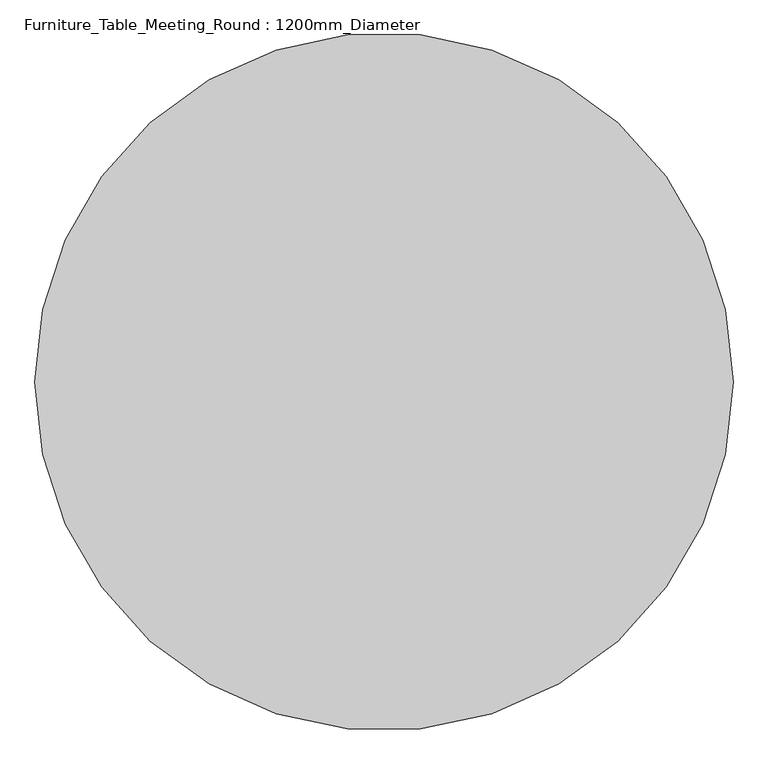
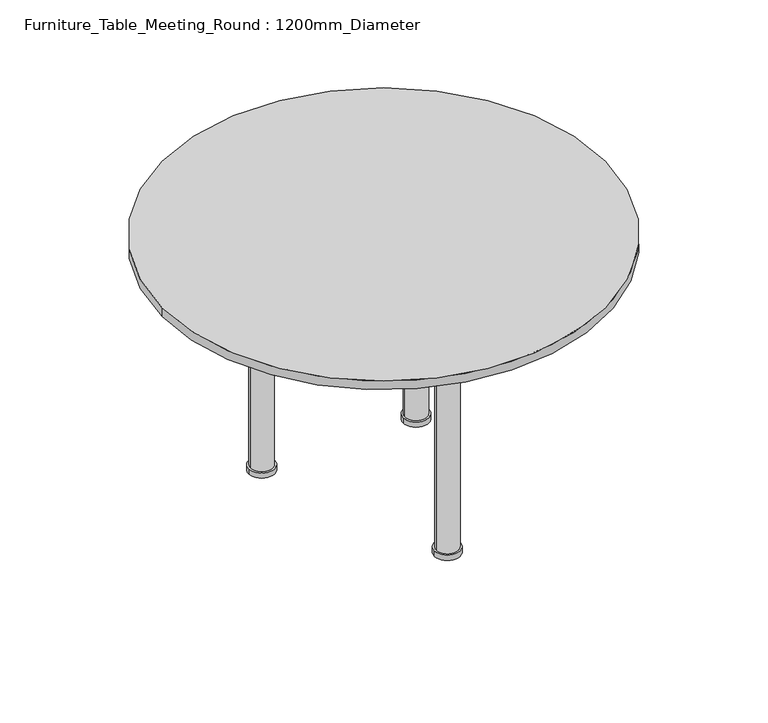
"""IFC4 building model written with IfcOpenShell, lengths in millimetres: furniture geometry, Furniture_Table_Meeting_Round : 1200mm_Diameter."""

from ifc_helpers import new_model, si_unit, point, frame, frame_2d, origin, origin_with_axes, place, context, project, spatial, polyline, circle_curve, trimmed, segment, composite_curve, outline, extrude, source, transform, mapped, element, save
from ifc_brep_helpers import plane_surface, cylinder_surface, revolved_surface, advanced_brep


def furniture_table_meeting_round_1200mm_diameter_67b905c9(model_context):
    return source(origin(), model_context, "Body", "SolidModel", [
        extrude(outline(composite_curve([segment(trimmed(circle_curve(frame_2d((-208.9002264, 20.0786006)), 35.0), [point((-243.9002264, 20.0786006))], [point((-173.9002264, 20.0786006))], False, "CARTESIAN"), True, "CONTINUOUS"), segment(trimmed(circle_curve(frame_2d((-208.9002264, 20.0786006)), 35.0), [point((-173.9002264, 20.0786006))], [point((-243.9002264, 20.0786006))], False, "CARTESIAN"), True, "CONTINUOUS")], self_intersect=False)), origin_with_axes(), (0.0, 0.0, 1.0), 15.0),
        advanced_brep(
        [(-208.9002264, 20.0786006, 15.0), (-178.9002264, 20.0786006, 15.0), (-238.9002264, 20.0786006, 15.0), (-165.9002264, 20.0786006, 700.0), (-208.9002264, 20.0786006, 700.0), (-251.9002264, 20.0786006, 700.0), (-175.9002264, 20.0786006, 650.0), (-241.9002264, 20.0786006, 650.0), (-178.9002264, 20.0786006, 650.0), (-238.9002264, 20.0786006, 650.0)],
        [
            (0, 1),
            (1, 2, circle_curve(frame((-208.9002264, 20.0786006, 15.0), z_axis=(0.0, 0.0, -1.0), x_axis=(-1.0, 0.0, 0.0)), 30.0)),
            (2, 0),
            (2, 1, circle_curve(frame((-208.9002264, 20.0786006, 15.0), z_axis=(0.0, 0.0, -1.0), x_axis=(-1.0, 0.0, 0.0)), 30.0)),
            (3, 4),
            (4, 5),
            (5, 3, circle_curve(frame((-208.9002264, 20.0786006, 700.0), z_axis=(0.0, 0.0, 1.0), x_axis=(-1.0, 0.0, 0.0)), 43.0)),
            (3, 5, circle_curve(frame((-208.9002264, 20.0786006, 700.0), z_axis=(0.0, 0.0, 1.0), x_axis=(-1.0, 0.0, 0.0)), 43.0)),
            (6, 3),
            (5, 7),
            (7, 6, circle_curve(frame((-208.9002264, 20.0786006, 650.0), z_axis=(0.0, 0.0, 1.0), x_axis=(-1.0, 0.0, 0.0)), 33.0)),
            (6, 7, circle_curve(frame((-208.9002264, 20.0786006, 650.0), z_axis=(0.0, 0.0, 1.0), x_axis=(-1.0, 0.0, 0.0)), 33.0)),
            (8, 6),
            (7, 9),
            (9, 8, circle_curve(frame((-208.9002264, 20.0786006, 650.0), z_axis=(0.0, 0.0, 1.0), x_axis=(-1.0, 0.0, 0.0)), 30.0)),
            (8, 9, circle_curve(frame((-208.9002264, 20.0786006, 650.0), z_axis=(0.0, 0.0, 1.0), x_axis=(-1.0, 0.0, 0.0)), 30.0)),
            (1, 8),
            (9, 2),
        ],
        [
            plane_surface(frame((-208.9002264, 20.0786006, 15.0), z_axis=(0.0, 0.0, -1.0), x_axis=(-1.0, 0.0, 0.0))),
            plane_surface(frame((-208.9002264, 20.0786006, 700.0), z_axis=(0.0, 0.0, 1.0), x_axis=(-1.0, 0.0, 0.0))),
            revolved_surface(polyline([(-251.9002264, 20.0786006, 700.0), (-241.9002264, 20.0786006, 650.0)]), (-208.9002264, 20.0786006, 15.0), (0.0, 0.0, -1.0)),
            plane_surface(frame((-208.9002264, 20.0786006, 650.0), z_axis=(0.0, 0.0, -1.0), x_axis=(-1.0, 0.0, 0.0))),
            cylinder_surface(frame((-208.9002264, 20.0786006, 15.0), z_axis=(0.0, 0.0, -1.0), x_axis=(-1.0, 0.0, 0.0)), 30.0),
        ],
        [
            (0, [[1, 2, 3]]),
            (0, [[-3, 4, -1]]),
            (1, [[5, 6, 7]]),
            (1, [[-6, -5, 8]]),
            (2, [[9, -7, 10, 11]]),
            (2, [[-10, -8, -9, 12]]),
            (3, [[13, -11, 14, 15]]),
            (3, [[-14, -12, -13, 16]]),
            (4, [[17, -15, 18, -2]]),
            (4, [[-18, -16, -17, -4]]),
        ],
    ),
        extrude(outline(composite_curve([segment(trimmed(circle_curve(frame_2d((208.9002264, 20.0786006)), 35.0), [point((243.9002264, 20.0786006))], [point((173.9002264, 20.0786006))], False, "CARTESIAN"), True, "CONTINUOUS"), segment(trimmed(circle_curve(frame_2d((208.9002264, 20.0786006)), 35.0), [point((173.9002264, 20.0786006))], [point((243.9002264, 20.0786006))], False, "CARTESIAN"), True, "CONTINUOUS")], self_intersect=False)), origin_with_axes(), (0.0, 0.0, 1.0), 15.0),
        advanced_brep(
        [(208.9002264, 20.0786006, 15.0), (238.9002264, 20.0786006, 15.0), (178.9002264, 20.0786006, 15.0), (165.9002264, 20.0786006, 700.0), (251.9002264, 20.0786006, 700.0), (208.9002264, 20.0786006, 700.0), (175.9002264, 20.0786006, 650.0), (241.9002264, 20.0786006, 650.0), (178.9002264, 20.0786006, 650.0), (238.9002264, 20.0786006, 650.0)],
        [
            (0, 1),
            (1, 2, circle_curve(frame((208.9002264, 20.0786006, 15.0), z_axis=(0.0, 0.0, -1.0), x_axis=(1.0, 0.0, 0.0)), 30.0)),
            (2, 0),
            (2, 1, circle_curve(frame((208.9002264, 20.0786006, 15.0), z_axis=(0.0, 0.0, -1.0), x_axis=(1.0, 0.0, 0.0)), 30.0)),
            (3, 4, circle_curve(frame((208.9002264, 20.0786006, 700.0), z_axis=(0.0, 0.0, 1.0), x_axis=(1.0, 0.0, 0.0)), 43.0)),
            (4, 5),
            (5, 3),
            (4, 3, circle_curve(frame((208.9002264, 20.0786006, 700.0), z_axis=(0.0, 0.0, 1.0), x_axis=(1.0, 0.0, 0.0)), 43.0)),
            (6, 7, circle_curve(frame((208.9002264, 20.0786006, 650.0), z_axis=(0.0, 0.0, 1.0), x_axis=(1.0, 0.0, 0.0)), 33.0)),
            (7, 4),
            (3, 6),
            (7, 6, circle_curve(frame((208.9002264, 20.0786006, 650.0), z_axis=(0.0, 0.0, 1.0), x_axis=(1.0, 0.0, 0.0)), 33.0)),
            (8, 9, circle_curve(frame((208.9002264, 20.0786006, 650.0), z_axis=(0.0, 0.0, 1.0), x_axis=(1.0, 0.0, 0.0)), 30.0)),
            (9, 7),
            (6, 8),
            (9, 8, circle_curve(frame((208.9002264, 20.0786006, 650.0), z_axis=(0.0, 0.0, 1.0), x_axis=(1.0, 0.0, 0.0)), 30.0)),
            (1, 9),
            (8, 2),
        ],
        [
            plane_surface(frame((208.9002264, 20.0786006, 15.0), z_axis=(0.0, 0.0, -1.0), x_axis=(1.0, 0.0, 0.0))),
            plane_surface(frame((208.9002264, 20.0786006, 700.0), z_axis=(0.0, 0.0, 1.0), x_axis=(1.0, 0.0, 0.0))),
            revolved_surface(polyline([(251.9002264, 20.0786006, 700.0), (241.9002264, 20.0786006, 650.0)]), (208.9002264, 20.0786006, 15.0), (0.0, 0.0, -1.0)),
            plane_surface(frame((208.9002264, 20.0786006, 650.0), z_axis=(0.0, 0.0, -1.0), x_axis=(1.0, 0.0, 0.0))),
            cylinder_surface(frame((208.9002264, 20.0786006, 15.0), z_axis=(0.0, 0.0, -1.0), x_axis=(1.0, 0.0, 0.0)), 30.0),
        ],
        [
            (0, [[1, 2, 3]]),
            (0, [[-3, 4, -1]]),
            (1, [[5, 6, 7]]),
            (1, [[8, -7, -6]]),
            (2, [[9, 10, -5, 11]]),
            (2, [[12, -11, -8, -10]]),
            (3, [[13, 14, -9, 15]]),
            (3, [[16, -15, -12, -14]]),
            (4, [[-2, 17, -13, 18]]),
            (4, [[-4, -18, -16, -17]]),
        ],
    ),
        extrude(outline(composite_curve([segment(trimmed(circle_curve(frame_2d((0.0, -488.8216258)), 35.0), [point((-35.0, -488.8216258))], [point((35.0, -488.8216258))], False, "CARTESIAN"), True, "CONTINUOUS"), segment(trimmed(circle_curve(frame_2d((0.0, -488.8216258)), 35.0), [point((35.0, -488.8216258))], [point((-35.0, -488.8216258))], False, "CARTESIAN"), True, "CONTINUOUS")], self_intersect=False)), origin_with_axes(), (0.0, 0.0, 1.0), 15.0),
        advanced_brep(
        [(0.0, -488.8216258, 15.0), (-30.0, -488.8216258, 15.0), (30.0, -488.8216258, 15.0), (43.0, -488.8216258, 700.0), (-43.0, -488.8216258, 700.0), (0.0, -488.8216258, 700.0), (33.0, -488.8216258, 650.0), (-33.0, -488.8216258, 650.0), (30.0, -488.8216258, 650.0), (-30.0, -488.8216258, 650.0)],
        [
            (0, 1),
            (1, 2, circle_curve(frame((0.0, -488.8216258, 15.0), z_axis=(0.0, 0.0, -1.0), x_axis=(-1.0, 0.0, 0.0)), 30.0)),
            (2, 0),
            (2, 1, circle_curve(frame((0.0, -488.8216258, 15.0), z_axis=(0.0, 0.0, -1.0), x_axis=(-1.0, 0.0, 0.0)), 30.0)),
            (3, 4, circle_curve(frame((0.0, -488.8216258, 700.0), z_axis=(0.0, 0.0, 1.0), x_axis=(-1.0, 0.0, 0.0)), 43.0)),
            (4, 5),
            (5, 3),
            (4, 3, circle_curve(frame((0.0, -488.8216258, 700.0), z_axis=(0.0, 0.0, 1.0), x_axis=(-1.0, 0.0, 0.0)), 43.0)),
            (6, 7, circle_curve(frame((0.0, -488.8216258, 650.0), z_axis=(0.0, 0.0, 1.0), x_axis=(-1.0, 0.0, 0.0)), 33.0)),
            (7, 4),
            (3, 6),
            (7, 6, circle_curve(frame((0.0, -488.8216258, 650.0), z_axis=(0.0, 0.0, 1.0), x_axis=(-1.0, 0.0, 0.0)), 33.0)),
            (8, 9, circle_curve(frame((0.0, -488.8216258, 650.0), z_axis=(0.0, 0.0, 1.0), x_axis=(-1.0, 0.0, 0.0)), 30.0)),
            (9, 7),
            (6, 8),
            (9, 8, circle_curve(frame((0.0, -488.8216258, 650.0), z_axis=(0.0, 0.0, 1.0), x_axis=(-1.0, 0.0, 0.0)), 30.0)),
            (1, 9),
            (8, 2),
        ],
        [
            plane_surface(frame((0.0, -488.8216258, 15.0), z_axis=(0.0, 0.0, -1.0), x_axis=(-1.0, 0.0, 0.0))),
            plane_surface(frame((0.0, -488.8216258, 700.0), z_axis=(0.0, 0.0, 1.0), x_axis=(-1.0, 0.0, 0.0))),
            revolved_surface(polyline([(-43.0, -488.8216258, 700.0), (-33.0, -488.8216258, 650.0)]), (0.0, -488.8216258, 15.0), (0.0, 0.0, -1.0)),
            plane_surface(frame((0.0, -488.8216258, 650.0), z_axis=(0.0, 0.0, -1.0), x_axis=(-1.0, 0.0, 0.0))),
            cylinder_surface(frame((0.0, -488.8216258, 15.0), z_axis=(0.0, 0.0, -1.0), x_axis=(-1.0, 0.0, 0.0)), 30.0),
        ],
        [
            (0, [[1, 2, 3]]),
            (0, [[-3, 4, -1]]),
            (1, [[5, 6, 7]]),
            (1, [[8, -7, -6]]),
            (2, [[9, 10, -5, 11]]),
            (2, [[12, -11, -8, -10]]),
            (3, [[13, 14, -9, 15]]),
            (3, [[16, -15, -12, -14]]),
            (4, [[-2, 17, -13, 18]]),
            (4, [[-4, -18, -16, -17]]),
        ],
    ),
        extrude(outline(composite_curve([segment(trimmed(circle_curve(frame_2d((2.4966462, -185.8838603)), 600.0), [point((-597.5033538, -185.8838603))], [point((602.4966462, -185.8838603))], False, "CARTESIAN"), True, "CONTINUOUS"), segment(trimmed(circle_curve(frame_2d((2.4966462, -185.8838603)), 600.0), [point((602.4966462, -185.8838603))], [point((-597.5033538, -185.8838603))], False, "CARTESIAN"), True, "CONTINUOUS")], self_intersect=False)), frame((0.0, 0.0, 700.0), z_axis=(0.0, 0.0, 1.0), x_axis=(1.0, 0.0, 0.0)), (0.0, 0.0, 1.0), 25.0),
    ])


if __name__ == "__main__":
    model = new_model("IFC4")
    model_context = context("Model", 3, world=origin())
    ifc_project = project(units=[si_unit("LENGTHUNIT", "METRE", prefix="MILLI")], contexts=[model_context])
    site = spatial("IfcSite", under=ifc_project)
    building = spatial("IfcBuilding", under=site)
    placement = place(None, origin())
    furniture_table_meeting_round_1200mm_diameter_shape = furniture_table_meeting_round_1200mm_diameter_67b905c9(model_context)
    element("IfcFurniture", 1, ObjectType="Furniture_Table_Meeting_Round : 1200mm_Diameter", at=placement, inside=building, context=model_context, shape_type="MappedRepresentation", body=[
        mapped(furniture_table_meeting_round_1200mm_diameter_shape, transform((0.0, 0.0, 0.0), x_axis=(1.0, 0.0, 0.0), y_axis=(0.0, 1.0, 0.0), z_axis=(0.0, 0.0, 1.0))),
    ])
    save(model, "model.ifc")
